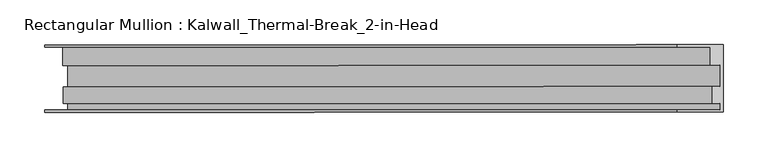
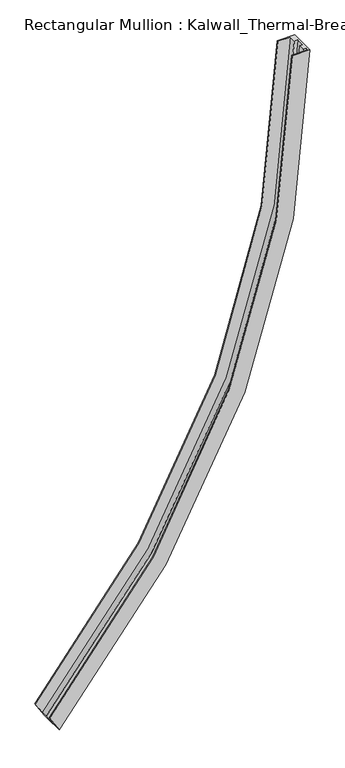
"""IFC4 building model written with IfcOpenShell, lengths in millimetres: member geometry, Rectangular Mullion : Kalwall_Thermal-Break_2-in-Head."""

from ifc_helpers import new_model, si_unit, frame, origin, place, context, project, spatial, polyline, circle_curve, source, transform, mapped, element, save
from ifc_brep_helpers import plane_surface, cylinder_surface, revolved_surface, advanced_brep


def rectangular_mullion_kalwall_thermal_break_2_in_head_0758da1a(model_context):
    return source(origin(), model_context, "Body", "AdvancedBrep", [
        advanced_brep(
        [(-727.9381478, 37.5023614, -1835.6864439), (0.0, 37.5023614, 0.0), (0.0, -37.5776386, 0.0), (-727.9381478, -37.5776386, -1835.6864439), (-755.3349138, 37.5023614, -1790.6186002), (-50.8, 37.5023614, 0.0), (-755.3349138, 34.9623614, -1790.6186002), (-50.8, 34.9623614, 0.0), (-735.5777537, 34.9623614, -1823.1192466), (-14.1732, 34.9623614, 0.0), (-735.5777537, 14.7439614, -1823.1192466), (-14.1732, 14.7439614, 0.0), (-729.936741, 14.7439614, -1832.3987461), (-3.7084, 14.7439614, 0.0), (-729.936741, -9.1879886, -1832.3987461), (-3.7084, -9.1879886, 0.0), (-734.8521309, -9.1879886, -1824.3129004), (-12.8272539, -9.1879886, 0.0), (-734.8521309, -27.8888568, -1824.3129004), (-12.8272539, -27.8888568, 0.0), (-729.936741, -27.8888568, -1832.3987461), (-3.7084, -27.8888568, 0.0), (-729.936741, -35.0376386, -1832.3987461), (-3.7084, -35.0376386, 0.0), (-755.3349138, -35.0376386, -1790.6186002), (-50.8, -35.0376386, 0.0), (-755.3349138, -37.5776386, -1790.6186002), (-50.8, -37.5776386, 0.0)],
        [
            (0, 1, circle_curve(frame((-2678.5508351, 37.5023614, 0.0), z_axis=(0.0, -1.0, 0.0), x_axis=(1.0, 0.0, 0.0)), 2678.5508351)),
            (1, 2),
            (2, 3, circle_curve(frame((-2678.5508351, -37.5776386, 0.0), z_axis=(0.0, 1.0, 0.0), x_axis=(1.0, 0.0, 0.0)), 2678.5508351)),
            (3, 0),
            (4, 5, circle_curve(frame((-2678.5508351, 37.5023614, 0.0), z_axis=(0.0, -1.0, 0.0), x_axis=(1.0, 0.0, 0.0)), 2627.7508351)),
            (5, 1),
            (0, 4),
            (6, 7, circle_curve(frame((-2678.5508351, 34.9623614, 0.0), z_axis=(0.0, -1.0, 0.0), x_axis=(1.0, 0.0, 0.0)), 2627.7508351)),
            (7, 5),
            (4, 6),
            (8, 9, circle_curve(frame((-2678.5508351, 34.9623614, 0.0), z_axis=(0.0, -1.0, 0.0), x_axis=(1.0, 0.0, 0.0)), 2664.3776351)),
            (9, 7),
            (6, 8),
            (10, 11, circle_curve(frame((-2678.5508351, 14.7439614, 0.0), z_axis=(0.0, -1.0, 0.0), x_axis=(1.0, 0.0, 0.0)), 2664.3776351)),
            (11, 9),
            (8, 10),
            (12, 13, circle_curve(frame((-2678.5508351, 14.7439614, 0.0), z_axis=(0.0, -1.0, 0.0), x_axis=(1.0, 0.0, 0.0)), 2674.8424351)),
            (13, 11),
            (10, 12),
            (14, 15, circle_curve(frame((-2678.5508351, -9.1879886, 0.0), z_axis=(0.0, -1.0, 0.0), x_axis=(1.0, 0.0, 0.0)), 2674.8424351)),
            (15, 13),
            (12, 14),
            (16, 17, circle_curve(frame((-2678.5508351, -9.1879886, 0.0), z_axis=(0.0, -1.0, 0.0), x_axis=(1.0, 0.0, 0.0)), 2665.7235812)),
            (17, 15),
            (14, 16),
            (18, 19, circle_curve(frame((-2678.5508351, -27.8888568, 0.0), z_axis=(0.0, -1.0, 0.0), x_axis=(1.0, 0.0, 0.0)), 2665.7235812)),
            (19, 17),
            (16, 18),
            (20, 21, circle_curve(frame((-2678.5508351, -27.8888568, 0.0), z_axis=(0.0, -1.0, 0.0), x_axis=(1.0, 0.0, 0.0)), 2674.8424351)),
            (21, 19),
            (18, 20),
            (22, 23, circle_curve(frame((-2678.5508351, -35.0376386, 0.0), z_axis=(0.0, -1.0, 0.0), x_axis=(1.0, 0.0, 0.0)), 2674.8424351)),
            (23, 21),
            (20, 22),
            (24, 25, circle_curve(frame((-2678.5508351, -35.0376386, 0.0), z_axis=(0.0, -1.0, 0.0), x_axis=(1.0, 0.0, 0.0)), 2627.7508351)),
            (25, 23),
            (22, 24),
            (26, 27, circle_curve(frame((-2678.5508351, -37.5776386, 0.0), z_axis=(0.0, -1.0, 0.0), x_axis=(1.0, 0.0, 0.0)), 2627.7508351)),
            (27, 25),
            (24, 26),
            (2, 27),
            (26, 3),
        ],
        [
            cylinder_surface(frame((-2678.5508351, 0.0, 0.0), z_axis=(0.0, 1.0, 0.0), x_axis=(1.0, 0.0, 0.0)), 2678.5508351),
            plane_surface(frame((-2678.5508351, 37.5023614, 0.0), z_axis=(0.0, 1.0, 0.0), x_axis=(1.0, 0.0, 0.0))),
            revolved_surface(polyline([(-50.79999999999973, 37.5023614, 0.0), (-50.79999999999973, 34.9623614, 0.0)]), (-2678.5508351, 0.0, 0.0), (0.0, 1.0, 0.0)),
            plane_surface(frame((-2678.5508351, 34.9623614, 0.0), z_axis=(0.0, -1.0, 0.0), x_axis=(1.0, 0.0, 0.0))),
            revolved_surface(polyline([(-14.173199999999724, 34.9623614, 0.0), (-14.173199999999724, 14.7439614, 0.0)]), (-2678.5508351, 0.0, 0.0), (0.0, 1.0, 0.0)),
            plane_surface(frame((-2678.5508351, 14.7439614, 0.0), z_axis=(0.0, -1.0, 0.0), x_axis=(1.0, 0.0, 0.0))),
            revolved_surface(polyline([(-3.7083999999999833, 14.7439614, 0.0), (-3.7083999999999833, -9.1879886, 0.0)]), (-2678.5508351, 0.0, 0.0), (0.0, 1.0, 0.0)),
            plane_surface(frame((-2678.5508351, -9.1879886, 0.0), z_axis=(0.0, 1.0, 0.0), x_axis=(1.0, 0.0, 0.0))),
            revolved_surface(polyline([(-12.82725389999996, -9.1879886, 0.0), (-12.82725389999996, -27.8888568, 0.0)]), (-2678.5508351, 0.0, 0.0), (0.0, 1.0, 0.0)),
            plane_surface(frame((-2678.5508351, -27.8888568, 0.0), z_axis=(0.0, -1.0, 0.0), x_axis=(1.0, 0.0, 0.0))),
            revolved_surface(polyline([(-3.7083999999999833, -27.8888568, 0.0), (-3.7083999999999833, -35.0376386, 0.0)]), (-2678.5508351, 0.0, 0.0), (0.0, 1.0, 0.0)),
            plane_surface(frame((-2678.5508351, -35.0376386, 0.0), z_axis=(0.0, 1.0, 0.0), x_axis=(1.0, 0.0, 0.0))),
            revolved_surface(polyline([(-50.79999999999973, -35.0376386, 0.0), (-50.79999999999973, -37.5776386, 0.0)]), (-2678.5508351, 0.0, 0.0), (0.0, 1.0, 0.0)),
            plane_surface(frame((-2678.5508351, -37.5776386, 0.0), z_axis=(0.0, -1.0, 0.0), x_axis=(1.0, 0.0, 0.0))),
            plane_surface(frame((-304.8, 0.0, 0.0), z_axis=(0.0, 0.0, 1.0), x_axis=(0.0, 1.0, 0.0))),
            plane_surface(frame((-727.9381478, -304.8, -1835.6864439), z_axis=(-0.8545001740835648, 0.0, -0.5194511069303418), x_axis=(-0.5194511069303418, 0.0, 0.8545001740835648))),
        ],
        [
            (0, [[1, 2, 3, 4]]),
            (1, [[5, 6, -1, 7]]),
            (2, [[8, 9, -5, 10]]),
            (3, [[11, 12, -8, 13]]),
            (4, [[14, 15, -11, 16]]),
            (5, [[17, 18, -14, 19]]),
            (6, [[20, 21, -17, 22]]),
            (7, [[23, 24, -20, 25]]),
            (8, [[26, 27, -23, 28]]),
            (9, [[29, 30, -26, 31]]),
            (10, [[32, 33, -29, 34]]),
            (11, [[35, 36, -32, 37]]),
            (12, [[38, 39, -35, 40]]),
            (13, [[-3, 41, -38, 42]]),
            (14, [[-2, -6, -9, -12, -15, -18, -21, -24, -27, -30, -33, -36, -39, -41]]),
            (15, [[-42, -40, -37, -34, -31, -28, -25, -22, -19, -16, -13, -10, -7, -4]]),
        ],
    ),
    ])


if __name__ == "__main__":
    model = new_model("IFC4")
    model_context = context("Model", 3, world=origin())
    ifc_project = project(units=[si_unit("LENGTHUNIT", "METRE", prefix="MILLI")], contexts=[model_context])
    site = spatial("IfcSite", under=ifc_project)
    building = spatial("IfcBuilding", under=site)
    placement = place(None, origin())
    rectangular_mullion_kalwall_thermal_break_2_in_head_shape = rectangular_mullion_kalwall_thermal_break_2_in_head_0758da1a(model_context)
    element("IfcMember", 1, ObjectType="Rectangular Mullion : Kalwall_Thermal-Break_2-in-Head", at=placement, inside=building, context=model_context, shape_type="MappedRepresentation", body=[
        mapped(rectangular_mullion_kalwall_thermal_break_2_in_head_shape, transform((0.0, 0.0, 0.0), x_axis=(1.0, 0.0, 0.0), y_axis=(0.0, 1.0, 0.0), z_axis=(0.0, 0.0, 1.0))),
    ])
    save(model, "model.ifc")
